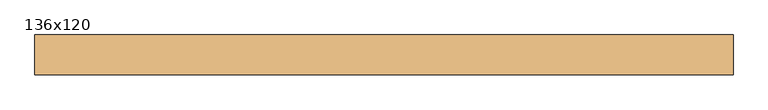
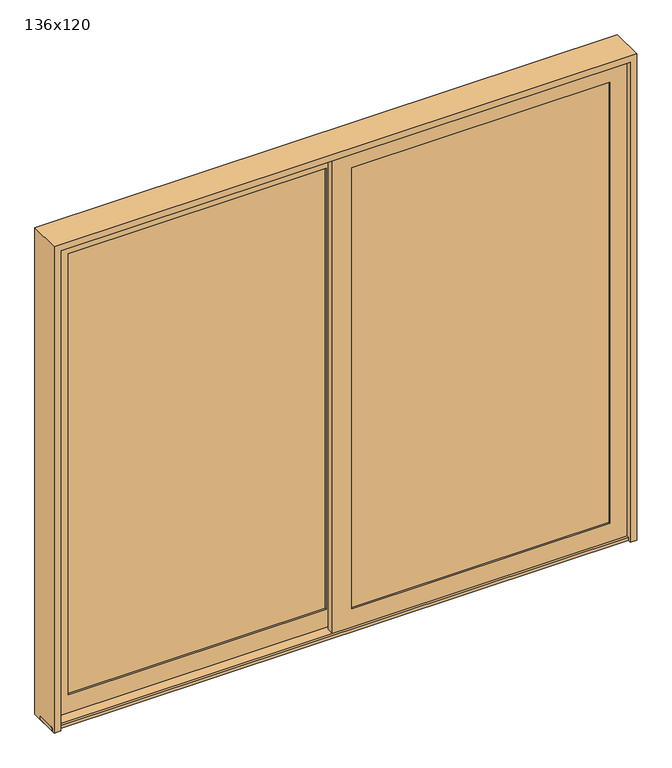
"""IFC4 building model written with IfcOpenShell, lengths in millimetres: door geometry, 136x120."""

from ifc_helpers import new_model, si_unit, frame, origin, place, context, project, spatial, polyline, outline, extrude, faceted_brep, source, transform, mapped, element, save


def door_136x120_29cb52cc(model_context):
    return source(origin(), model_context, "Body", "SolidModel", [
        extrude(outline(polyline([(1600.9169118, -31.5205107), (1600.9169118, -34.6955107), (44.7573368, -34.6955107), (44.7573368, -31.5205107), (1600.9169118, -31.5205107)])), frame((0.0, 0.0, 121.4374), z_axis=(0.0, 0.0, 1.0), x_axis=(1.0, 0.0, 0.0)), (0.0, 0.0, 1.0), 2789.2502),
        extrude(outline(polyline([(1600.9169118, -15.6455107), (44.7573368, -15.6455107), (44.7573368, -12.4705107), (1600.9169118, -12.4705107), (1600.9169118, -15.6455107)])), frame((0.0, 0.0, 121.4374), z_axis=(0.0, 0.0, 1.0), x_axis=(1.0, 0.0, 0.0)), (0.0, 0.0, 1.0), 2789.2502),
        faceted_brep([(1604.0919118, -12.4705107, 118.2624), (41.5823368, -12.4705107, 118.2624), (41.5823368, -36.2703309, 118.2624), (1604.0919118, -36.2703309, 118.2624), (1588.2169118, -2.1454107, 134.1374), (57.4573368, -2.1454107, 134.1374), (57.4573368, -12.4705107, 134.1374), (1588.2169118, -12.4705107, 134.1374), (1703.3043118, -45.7868763, 19.05), (-57.6300632, -45.7868763, 19.05), (-57.6300632, -2.1454107, 19.05), (1703.3043118, -2.1454107, 19.05), (1588.2185198, -36.2703309, 134.135792), (57.4557288, -36.2703309, 134.135792), (57.4557288, -45.7868763, 134.135792), (1588.2185198, -45.7868763, 134.135792), (41.5823368, -12.4705107, 2913.8626), (41.5823368, -36.2703309, 2913.8626), (57.4573368, -2.1454107, 2897.9876), (57.4573368, -12.4705107, 2897.9876), (-57.6300632, -45.7868763, 3013.075), (-57.6300632, -2.1454107, 3013.075), (57.4557288, -36.2703309, 2897.989208), (57.4557288, -45.7868763, 2897.989208), (1604.0919118, -12.4705107, 2913.8626), (1604.0919118, -36.2703309, 2913.8626), (1588.2169118, -2.1454107, 2897.9876), (1588.2169118, -12.4705107, 2897.9876), (1703.3043118, -45.7868763, 3013.075), (1703.3043118, -2.1454107, 3013.075), (1588.2185198, -36.2703309, 2897.989208), (1588.2185198, -45.7868763, 2897.989208)], [[[0, 1, 2, 3]], [[4, 5, 6, 7]], [[8, 9, 10, 11]], [[12, 13, 14, 15]], [[1, 16, 17, 2]], [[5, 18, 19, 6]], [[9, 20, 21, 10]], [[13, 22, 23, 14]], [[16, 24, 25, 17]], [[18, 26, 27, 19]], [[20, 28, 29, 21]], [[22, 30, 31, 23]], [[24, 0, 3, 25]], [[1, 0, 24, 16], [7, 6, 19, 27]], [[26, 4, 7, 27]], [[11, 10, 21, 29], [5, 4, 26, 18]], [[28, 8, 11, 29]], [[9, 8, 28, 20], [15, 14, 23, 31]], [[30, 12, 15, 31]], [[3, 2, 17, 25], [13, 12, 30, 22]]]),
        extrude(outline(polyline([(-44.8202139, 32.2000501), (-44.8202139, 29.0250501), (-1600.9797889, 29.0250501), (-1600.9797889, 32.2000501), (-44.8202139, 32.2000501)])), frame((0.0, 0.0, 121.4374), z_axis=(0.0, 0.0, 1.0), x_axis=(1.0, 0.0, 0.0)), (0.0, 0.0, 1.0), 2789.2502),
        extrude(outline(polyline([(-44.8202139, 48.0750501), (-1600.9797889, 48.0750501), (-1600.9797889, 51.2500501), (-44.8202139, 51.2500501), (-44.8202139, 48.0750501)])), frame((0.0, 0.0, 121.4374), z_axis=(0.0, 0.0, 1.0), x_axis=(1.0, 0.0, 0.0)), (0.0, 0.0, 1.0), 2789.2502),
        faceted_brep([(-41.6452139, 51.2500501, 118.2624), (-1604.1547889, 51.2500501, 118.2624), (-1604.1547889, 27.4502299, 118.2624), (-41.6452139, 27.4502299, 118.2624), (-57.5202139, 61.5751501, 134.1374), (-1588.2797889, 61.5751501, 134.1374), (-1588.2797889, 51.2500501, 134.1374), (-57.5202139, 51.2500501, 134.1374), (57.5671861, 17.9336845, 19.05), (-1703.3671889, 17.9336845, 19.05), (-1703.3671889, 61.5751501, 19.05), (57.5671861, 61.5751501, 19.05), (-57.5186059, 27.4502299, 134.135792), (-1588.2813969, 27.4502299, 134.135792), (-1588.2813969, 17.9336845, 134.135792), (-57.5186059, 17.9336845, 134.135792), (-1604.1547889, 51.2500501, 2913.8626), (-1604.1547889, 27.4502299, 2913.8626), (-1588.2797889, 61.5751501, 2897.9876), (-1588.2797889, 51.2500501, 2897.9876), (-1703.3671889, 17.9336845, 3013.075), (-1703.3671889, 61.5751501, 3013.075), (-1588.2813969, 27.4502299, 2897.989208), (-1588.2813969, 17.9336845, 2897.989208), (-41.6452139, 51.2500501, 2913.8626), (-41.6452139, 27.4502299, 2913.8626), (-57.5202139, 61.5751501, 2897.9876), (-57.5202139, 51.2500501, 2897.9876), (57.5671861, 17.9336845, 3013.075), (57.5671861, 61.5751501, 3013.075), (-57.5186059, 27.4502299, 2897.989208), (-57.5186059, 17.9336845, 2897.989208)], [[[0, 1, 2, 3]], [[4, 5, 6, 7]], [[8, 9, 10, 11]], [[12, 13, 14, 15]], [[1, 16, 17, 2]], [[5, 18, 19, 6]], [[9, 20, 21, 10]], [[13, 22, 23, 14]], [[16, 24, 25, 17]], [[18, 26, 27, 19]], [[20, 28, 29, 21]], [[22, 30, 31, 23]], [[24, 0, 3, 25]], [[1, 0, 24, 16], [7, 6, 19, 27]], [[26, 4, 7, 27]], [[11, 10, 21, 29], [5, 4, 26, 18]], [[28, 8, 11, 29]], [[9, 8, 28, 20], [15, 14, 23, 31]], [[30, 12, 15, 31]], [[3, 2, 17, 25], [13, 12, 30, 22]]]),
        extrude(outline(polyline([(-61.2378594, 0.0), (-61.2378594, 20.6375), (-48.8994757, 20.6375), (-48.8994757, 19.1087537), (64.2282571, 19.1087537), (64.2282571, 0.0), (-61.2378594, 0.0)])), frame((-1727.1796889, 0.0, 0.0), z_axis=(1.0, 0.0, 0.0), x_axis=(0.0, 1.0, 0.0)), (0.0, 0.0, 1.0), 3454.3796889),
        faceted_brep([(-1703.3043118, -49.4622698, 0.0), (-1688.9668989, -49.4622698, 0.0), (-1688.9668989, -79.3063913, 0.0), (-1727.2, -79.3063913, 0.0), (-1727.2, 117.8375264, 0.0), (-1709.7375, 117.8375264, 0.0), (-1709.7375, 73.9012916, 0.0), (-1688.9668989, 73.9012916, 0.0), (-1688.9668989, 65.2357592, 0.0), (-1703.3043118, 65.2357592, 0.0), (-1703.3043118, 14.258291, 0.0), (-1688.9668989, 14.258291, 0.0), (-1688.9668989, 1.5151984, 0.0), (-1703.3043118, 1.5151984, 0.0), (1703.3043118, -49.4622698, 0.0), (1703.3043118, 1.5151984, 0.0), (1688.9668989, 1.5151984, 0.0), (1688.9668989, 14.258291, 0.0), (1703.3043118, 14.258291, 0.0), (1703.3043118, 65.2357592, 0.0), (1688.9668989, 65.2357592, 0.0), (1688.9668989, 73.9012916, 0.0), (1709.7375, 73.9012916, 0.0), (1709.7375, 117.8375264, 0.0), (1727.2, 117.8375264, 0.0), (1727.2, -79.3063913, 0.0), (1688.9668989, -79.3063913, 0.0), (1688.9668989, -49.4622698, 0.0), (-1703.3043118, 1.5151984, 3024.1043118), (-1703.3043118, -49.4622698, 3024.1043118), (-1688.9668989, 1.5151984, 3009.7668989), (1688.9668989, 1.5151984, 3009.7668989), (1703.3043118, 1.5151984, 3024.1043118), (-1688.9668989, 14.258291, 3009.7668989), (-1703.3043118, 14.258291, 3024.1043118), (1703.3043118, 14.258291, 3024.1043118), (1688.9668989, 14.258291, 3009.7668989), (-1703.3043118, 65.2357592, 3024.1043118), (-1688.9668989, 65.2357592, 3009.7668989), (1688.9668989, 65.2357592, 3009.7668989), (1703.3043118, 65.2357592, 3024.1043118), (-1688.9668989, 73.9012916, 3009.7668989), (-1709.7375, 73.9012916, 3030.5375), (1709.7375, 73.9012916, 3030.5375), (1688.9668989, 73.9012916, 3009.7668989), (-1709.7375, 117.8375264, 3030.5375), (-1727.2, 117.8375264, 3048.0), (1727.2, 117.8375264, 3048.0), (1709.7375, 117.8375264, 3030.5375), (-1727.2, -79.3063913, 3048.0), (-1688.9668989, -79.3063913, 3009.7668989), (1688.9668989, -79.3063913, 3009.7668989), (1727.2, -79.3063913, 3048.0), (-1688.9668989, -49.4622698, 3009.7668989), (1703.3043118, -49.4622698, 3024.1043118), (1688.9668989, -49.4622698, 3009.7668989)], [[[0, 1, 2, 3, 4, 5, 6, 7, 8, 9, 10, 11, 12, 13]], [[14, 15, 16, 17, 18, 19, 20, 21, 22, 23, 24, 25, 26, 27]], [[13, 28, 29, 0]], [[12, 30, 31, 16, 15, 32, 28, 13]], [[11, 33, 30, 12]], [[10, 34, 35, 18, 17, 36, 33, 11]], [[9, 37, 34, 10]], [[8, 38, 39, 20, 19, 40, 37, 9]], [[7, 41, 38, 8]], [[6, 42, 43, 22, 21, 44, 41, 7]], [[5, 45, 42, 6]], [[4, 46, 47, 24, 23, 48, 45, 5]], [[3, 49, 46, 4]], [[2, 50, 51, 26, 25, 52, 49, 3]], [[1, 53, 50, 2]], [[0, 29, 54, 14, 27, 55, 53, 1]], [[28, 32, 54, 29]], [[33, 36, 31, 30]], [[37, 40, 35, 34]], [[41, 44, 39, 38]], [[45, 48, 43, 42]], [[49, 52, 47, 46]], [[53, 55, 51, 50]], [[32, 15, 14, 54]], [[36, 17, 16, 31]], [[40, 19, 18, 35]], [[44, 21, 20, 39]], [[48, 23, 22, 43]], [[52, 25, 24, 47]], [[55, 27, 26, 51]]]),
    ])


if __name__ == "__main__":
    model = new_model("IFC4")
    model_context = context("Model", 3, world=origin())
    ifc_project = project(units=[si_unit("LENGTHUNIT", "METRE", prefix="MILLI")], contexts=[model_context])
    site = spatial("IfcSite", under=ifc_project)
    building = spatial("IfcBuilding", under=site)
    placement = place(None, origin())
    door_136x120_shape = door_136x120_29cb52cc(model_context)
    element("IfcDoor", 1, ObjectType="136x120", at=placement, inside=building, context=model_context, shape_type="MappedRepresentation", body=[
        mapped(door_136x120_shape, transform((0.0, 0.0, 0.0), x_axis=(1.0, 0.0, 0.0), y_axis=(0.0, 1.0, 0.0), z_axis=(0.0, 0.0, 1.0))),
    ])
    save(model, "model.ifc")
